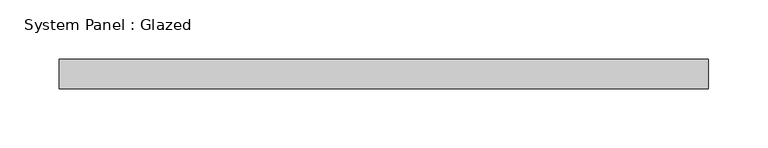
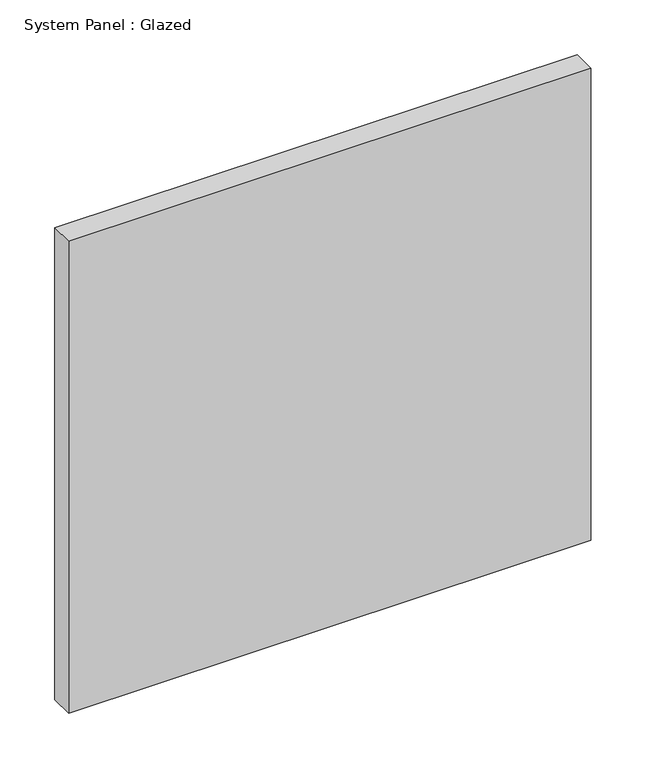
"""IFC4 building model written with IfcOpenShell, lengths in millimetres: plate geometry, System Panel : Glazed."""

import ifcopenshell
import ifcopenshell.guid

model = None  # the IFC model being written
_history = None  # IfcOwnerHistory: only IFC2X3 demands one
_inside = {}  # id of a spatial element -> (the spatial element, [elements in it])
_under = {}  # id of a project, library or spatial element -> (it, [spatial elements below it])
_declared = {}  # id of a project -> (the project, [libraries it declares])
_typed = {}  # id of a type object -> (the type object, [elements of that type])
_made_of = {}  # id of a material, layer set ... -> (it, [elements and type objects made of it])


def new_model(schema):
    """Start an empty IFC model of exactly this schema.

    Asked for "IFC4X3", IfcOpenShell would pick the latest addendum, in which some entities
    have other attributes; the version numbers below select the first issue.
    IFC2X3 requires an IfcOwnerHistory on every rooted entity: one is made here for all.
    """
    global model, _history
    if schema == "IFC4X3":
        model = ifcopenshell.file(schema_version=(4, 3, 0, 0))
    else:
        model = ifcopenshell.file(schema=schema)
    _inside.clear()
    _under.clear()
    _declared.clear()
    _typed.clear()
    _made_of.clear()
    _history = None
    if model.schema == "IFC2X3":
        org = make("IfcOrganization", Name="unknown")
        user = make(
            "IfcPersonAndOrganization",
            ThePerson=make("IfcPerson", FamilyName="unknown"),
            TheOrganization=org,
        )
        app = make(
            "IfcApplication",
            ApplicationDeveloper=org,
            Version="unknown",
            ApplicationFullName="unknown",
            ApplicationIdentifier="unknown",
        )
        _history = make(
            "IfcOwnerHistory",
            OwningUser=user,
            OwningApplication=app,
            ChangeAction="ADDED",
            CreationDate=0,
        )
    return model


def make(cls, **values):
    """One entity of the class cls with the attributes given. An attribute that is None is left unset."""
    return model.create_entity(
        cls, **{name: value for name, value in values.items() if value is not None}
    )


def rooted(cls, **values):
    """An entity with a GlobalId (a new one), such as an element, a storey or a relation."""
    return make(cls, GlobalId=ifcopenshell.guid.new(), OwnerHistory=_history, **values)


def si_unit(unit_type, name, prefix=None):
    """IfcSIUnit, for example si_unit("LENGTHUNIT", "METRE", prefix="MILLI")."""
    return make("IfcSIUnit", UnitType=unit_type, Prefix=prefix, Name=name)


def assignment(units):
    """IfcUnitAssignment: the units of a project."""
    return None if units is None else make("IfcUnitAssignment", Units=units)


def point(xyz):
    """IfcCartesianPoint."""
    return None if xyz is None else make("IfcCartesianPoint", Coordinates=xyz)


def direction(xyz):
    """IfcDirection."""
    return None if xyz is None else make("IfcDirection", DirectionRatios=xyz)


def frame(location, z_axis=None, x_axis=None):
    """IfcAxis2Placement3D, a coordinate frame: its origin and axes. An axis left out is left unset."""
    return make(
        "IfcAxis2Placement3D",
        Location=point(location),
        Axis=direction(z_axis),
        RefDirection=direction(x_axis),
    )


def origin():
    """The frame at (0, 0, 0) with its axes left unset."""
    return frame((0.0, 0.0, 0.0))


def origin_with_axes():
    """The frame at (0, 0, 0) with the z axis (0, 0, 1) and the x axis (1, 0, 0) written out."""
    return frame((0.0, 0.0, 0.0), z_axis=(0.0, 0.0, 1.0), x_axis=(1.0, 0.0, 0.0))


def place(relative_to, where):
    """IfcLocalPlacement: puts the frame where relative to a parent placement (None: the world)."""
    return make(
        "IfcLocalPlacement", PlacementRelTo=relative_to, RelativePlacement=where
    )


def context(
    kind, dimensions, precision=None, world=None, true_north=None, identifier=None
):
    """IfcGeometricRepresentationContext, for example the 3D "Model" context."""
    return make(
        "IfcGeometricRepresentationContext",
        ContextIdentifier=identifier,
        ContextType=kind,
        CoordinateSpaceDimension=dimensions,
        Precision=precision,
        WorldCoordinateSystem=world,
        TrueNorth=true_north,
    )


def project(units=None, contexts=None):
    """IfcProject with its units and contexts."""
    return rooted(
        "IfcProject",
        Name="project",
        RepresentationContexts=contexts,
        UnitsInContext=assignment(units),
    )


def spatial(cls, under=None, at=None, **own):
    """A site, building, storey or space (cls), placed at a placement, below another one or the project."""
    s = rooted(cls, ObjectPlacement=at, **own)
    if under is not None:
        _under.setdefault(under.id(), (under, []))[1].append(s)
    return s


def polyline(points):
    """IfcPolyline through the points."""
    return make("IfcPolyline", Points=[point(p) for p in points])


def outline(outer, holes=None, kind="AREA"):
    """IfcArbitraryClosedProfileDef: a profile drawn as a closed curve; with holes, ...WithVoids."""
    if holes is None:
        return make("IfcArbitraryClosedProfileDef", ProfileType=kind, OuterCurve=outer)
    return make(
        "IfcArbitraryProfileDefWithVoids",
        ProfileType=kind,
        OuterCurve=outer,
        InnerCurves=holes,
    )


def extrude(swept, where, along, depth):
    """IfcExtrudedAreaSolid: the profile swept, set in the frame where, extruded along a direction by depth."""
    return make(
        "IfcExtrudedAreaSolid",
        SweptArea=swept,
        Position=where,
        ExtrudedDirection=direction(along),
        Depth=depth,
    )


def shape(context_of_items, identifier, shape_type, items):
    """IfcShapeRepresentation: the items that make up one representation, for example the "Body"."""
    return make(
        "IfcShapeRepresentation",
        ContextOfItems=context_of_items,
        RepresentationIdentifier=identifier,
        RepresentationType=shape_type,
        Items=items,
    )


def source(mapping_origin, context_of_items, identifier, shape_type, items):
    """IfcRepresentationMap: a shape defined once, which mapped items show again and again."""
    return make(
        "IfcRepresentationMap",
        MappingOrigin=mapping_origin,
        MappedRepresentation=shape(context_of_items, identifier, shape_type, items),
    )


def transform(
    local_origin,
    x_axis=None,
    y_axis=None,
    z_axis=None,
    scale=None,
    scale2=None,
    scale3=None,
    uniform=True,
):
    """IfcCartesianTransformationOperator3D, or its non-uniform kind. x_axis, y_axis, z_axis: its Axis1, 2, 3."""
    if uniform:
        return make(
            "IfcCartesianTransformationOperator3D",
            Axis1=direction(x_axis),
            Axis2=direction(y_axis),
            LocalOrigin=point(local_origin),
            Scale=scale,
            Axis3=direction(z_axis),
        )
    return make(
        "IfcCartesianTransformationOperator3DnonUniform",
        Axis1=direction(x_axis),
        Axis2=direction(y_axis),
        LocalOrigin=point(local_origin),
        Scale=scale,
        Axis3=direction(z_axis),
        Scale2=scale2,
        Scale3=scale3,
    )


def mapped(mapping_source, mapping_target):
    """IfcMappedItem: shows the shape of a source again, moved by a transform."""
    return make(
        "IfcMappedItem", MappingSource=mapping_source, MappingTarget=mapping_target
    )


def made_of(thing, what):
    """Note that an element or type object is made of a material, layer set ...; save() writes the relation."""
    if what is not None:
        _made_of.setdefault(what.id(), (what, []))[1].append(thing)
    return thing


def element(
    cls,
    number,
    at=None,
    inside=None,
    cuts=None,
    type_object=None,
    material=None,
    context=None,
    identifier="Body",
    shape_type=None,
    held_by="IfcProductDefinitionShape",
    body=None,
    shapes=None,
    **own,
):
    """One element of the class cls, such as IfcWall. Its Tag is "e" and its number.

    at: its placement. inside: the storey or other place that contains it. cuts: it is an
    opening in that element (IfcRelVoidsElement). A single representation is given by context,
    identifier, shape_type and body (its items); several are given by shapes. held_by: the class
    of the entity that holds the representations. save() writes the other relations.
    """
    e = rooted(cls, Tag="e%d" % number, ObjectPlacement=at, **own)
    if body is not None:
        shapes = [shape(context, identifier, shape_type, body)]
    if shapes is not None:
        e.Representation = make(held_by, Representations=shapes)
    if inside is not None:
        _inside.setdefault(inside.id(), (inside, []))[1].append(e)
    if cuts is not None:
        rooted(
            "IfcRelVoidsElement", RelatingBuildingElement=cuts, RelatedOpeningElement=e
        )
    if type_object is not None:
        _typed.setdefault(type_object.id(), (type_object, []))[1].append(e)
    return made_of(e, material)


def aggregate(whole, parts):
    """IfcRelAggregates: a whole, such as a stair, and the parts it consists of."""
    return rooted("IfcRelAggregates", RelatingObject=whole, RelatedObjects=parts)


def save(model, path):
    """Write the relations noted so far, then the file.

    IfcRelAggregates (storeys below a building ...), IfcRelContainedInSpatialStructure (elements
    in a storey), IfcRelDefinesByType, IfcRelAssociatesMaterial and IfcRelDeclares: one each for
    every whole, place, type object, material and project.
    """
    for whole, parts in _under.values():
        aggregate(whole, parts)
    for where, things in _inside.values():
        rooted(
            "IfcRelContainedInSpatialStructure",
            RelatedElements=things,
            RelatingStructure=where,
        )
    for kind, things in _typed.values():
        rooted("IfcRelDefinesByType", RelatedObjects=things, RelatingType=kind)
    for what, things in _made_of.values():
        rooted("IfcRelAssociatesMaterial", RelatedObjects=things, RelatingMaterial=what)
    for by, libraries in _declared.values():
        rooted("IfcRelDeclares", RelatingContext=by, RelatedDefinitions=libraries)
    model.write(path)


def system_panel_glazed_716330b6(model_context):
    return source(origin(), model_context, "Body", "SweptSolid", [
        extrude(outline(polyline([(275.0, -49.5), (-275.0, -49.5), (-275.0, -24.5), (275.0, -24.5), (275.0, -49.5)])), origin_with_axes(), (0.0, 0.0, 1.0), 525.0),
    ])


if __name__ == "__main__":
    model = new_model("IFC4")
    model_context = context("Model", 3, world=origin())
    ifc_project = project(units=[si_unit("LENGTHUNIT", "METRE", prefix="MILLI")], contexts=[model_context])
    site = spatial("IfcSite", under=ifc_project)
    building = spatial("IfcBuilding", under=site)
    placement = place(None, origin())
    system_panel_glazed_shape = system_panel_glazed_716330b6(model_context)
    element("IfcPlate", 1, ObjectType="System Panel : Glazed", at=placement, inside=building, context=model_context, shape_type="MappedRepresentation", body=[
        mapped(system_panel_glazed_shape, transform((0.0, 0.0, 0.0), x_axis=(1.0, 0.0, 0.0), y_axis=(0.0, 1.0, 0.0), z_axis=(0.0, 0.0, 1.0))),
    ])
    save(model, "model.ifc")
